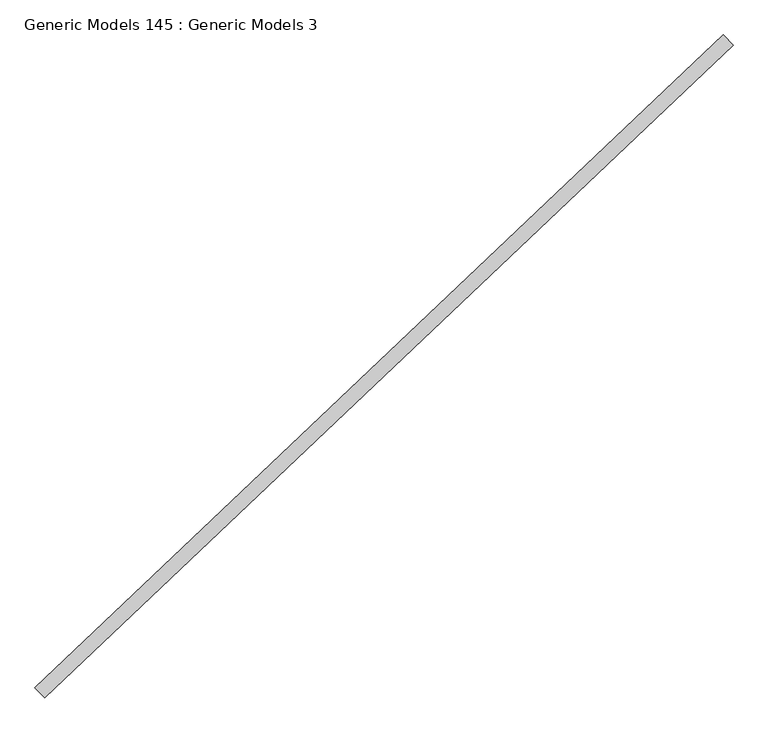
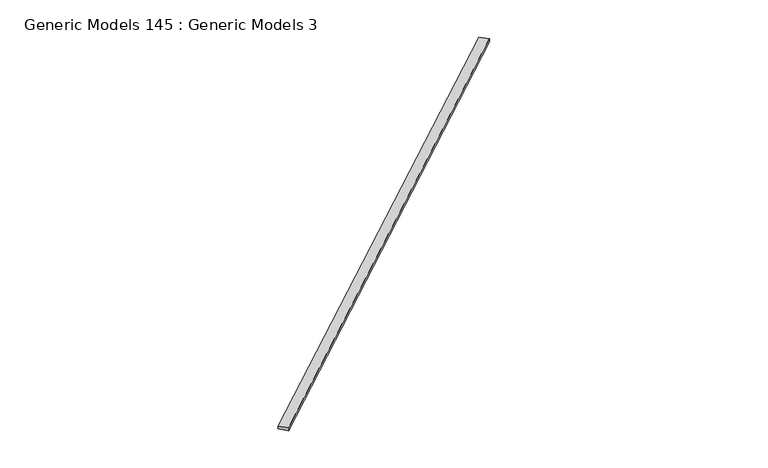
"""IFC4 building model written with IfcOpenShell, lengths in millimetres: proxy geometry, Generic Models 145 : Generic Models 3."""

from ifc_helpers import new_model, si_unit, frame, origin, place, context, project, spatial, polyline, outline, extrude, source, transform, mapped, element, save


def generic_models_145_generic_models_3_d61d2cfe(model_context):
    return source(origin(), model_context, "Body", "SweptSolid", [
        extrude(outline(polyline([(111130.0141471, 51902.8805294), (111177.2910487, 51853.0610702), (107890.8192516, 48734.3157852), (107843.54235, 48784.1352445), (111130.0141471, 51902.8805294)])), frame((0.0, 0.0, 18504.9833224), z_axis=(0.0, 0.0, 1.0), x_axis=(1.0, 0.0, 0.0)), (0.0, 0.0, 1.0), 21.9396403),
    ])


if __name__ == "__main__":
    model = new_model("IFC4")
    model_context = context("Model", 3, world=origin())
    ifc_project = project(units=[si_unit("LENGTHUNIT", "METRE", prefix="MILLI")], contexts=[model_context])
    site = spatial("IfcSite", under=ifc_project)
    building = spatial("IfcBuilding", under=site)
    placement = place(None, origin())
    generic_models_145_generic_models_3_shape = generic_models_145_generic_models_3_d61d2cfe(model_context)
    element("IfcBuildingElementProxy", 1, Name="Generic Models 145 : Generic Models 3", ObjectType="Generic Models 145 : Generic Models 3", at=placement, inside=building, context=model_context, shape_type="MappedRepresentation", body=[
        mapped(generic_models_145_generic_models_3_shape, transform((0.0, 0.0, 0.0), x_axis=(1.0, 0.0, 0.0), y_axis=(0.0, 1.0, 0.0), z_axis=(0.0, 0.0, 1.0))),
    ])
    save(model, "model.ifc")
